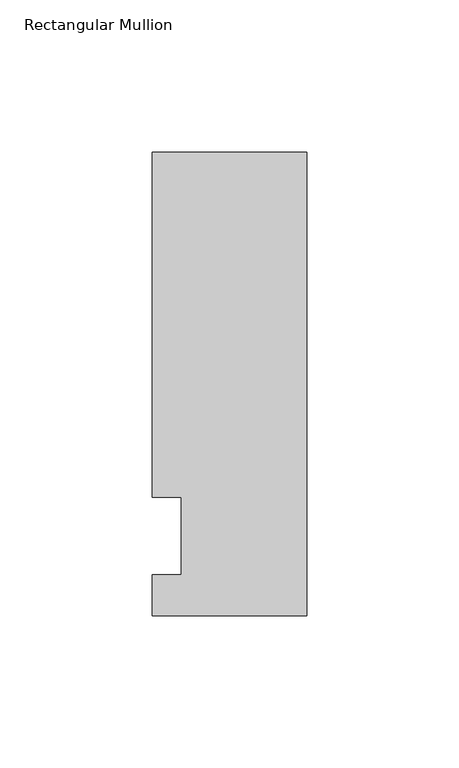
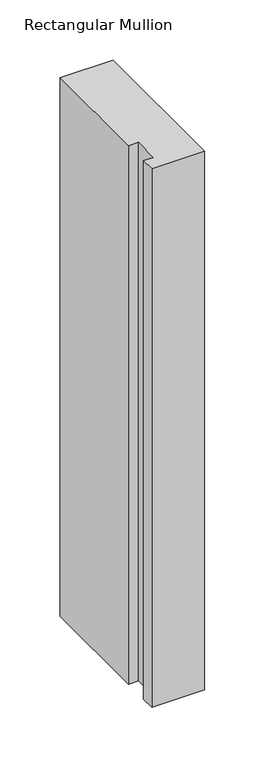
"""IFC4 building model written with IfcOpenShell, lengths in millimetres: member geometry, Rectangular Mullion."""

from ifc_helpers import new_model, si_unit, frame, origin, place, context, project, spatial, polyline, outline, extrude, source, transform, mapped, element, save


def rectangular_mullion_7bd787b1(model_context):
    return source(origin(), model_context, "Body", "SweptSolid", [
        extrude(outline(polyline([(-50.8, -26.19375), (-50.8, -12.7), (-41.275, -12.7), (-41.275, 12.7), (-50.8, 12.7), (-50.8, 126.20625), (0.0, 126.20625), (0.0, -26.19375), (-50.8, -26.19375)])), frame((0.0, 0.0, -546.1), z_axis=(0.0, 0.0, 1.0), x_axis=(1.0, 0.0, 0.0)), (0.0, 0.0, 1.0), 546.1),
    ])


if __name__ == "__main__":
    model = new_model("IFC4")
    model_context = context("Model", 3, world=origin())
    ifc_project = project(units=[si_unit("LENGTHUNIT", "METRE", prefix="MILLI")], contexts=[model_context])
    site = spatial("IfcSite", under=ifc_project)
    building = spatial("IfcBuilding", under=site)
    placement = place(None, origin())
    rectangular_mullion_shape = rectangular_mullion_7bd787b1(model_context)
    element("IfcMember", 1, ObjectType="Rectangular Mullion", at=placement, inside=building, context=model_context, shape_type="MappedRepresentation", body=[
        mapped(rectangular_mullion_shape, transform((0.0, 0.0, 0.0), x_axis=(1.0, 0.0, 0.0), y_axis=(0.0, 1.0, 0.0), z_axis=(0.0, 0.0, 1.0))),
    ])
    save(model, "model.ifc")
